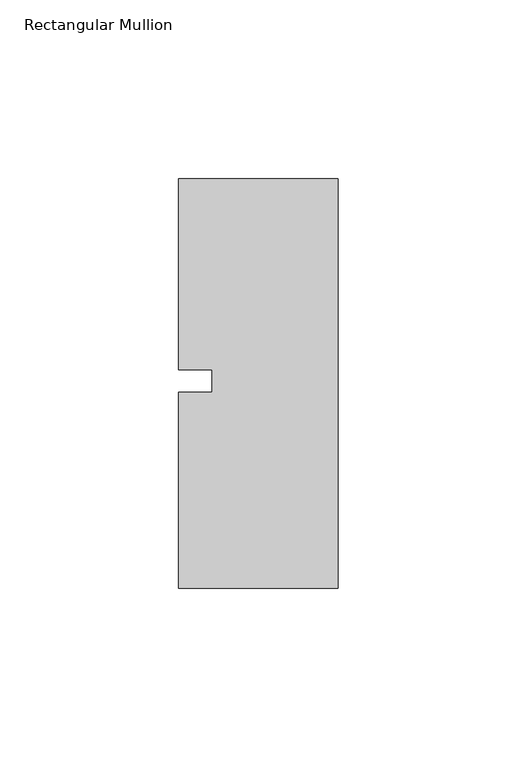
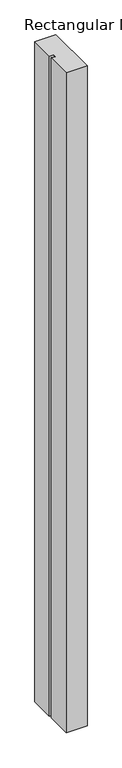
"""IFC4 building model written with IfcOpenShell, lengths in millimetres: member geometry, Rectangular Mullion."""

from ifc_helpers import new_model, si_unit, frame, origin, place, context, project, spatial, polyline, outline, extrude, source, transform, mapped, element, save


def rectangular_mullion_d1a7d057(model_context):
    return source(origin(), model_context, "Body", "SweptSolid", [
        extrude(outline(polyline([(-44.45, -57.15), (-44.45, -2.4907362), (-35.1375243, -2.4907362), (-35.1375243, 3.8592638), (-44.45, 3.8592638), (-44.45, 57.15), (0.0, 57.15), (0.0, -57.15), (-44.45, -57.15)])), frame((0.0, 0.0, -1479.55), z_axis=(0.0, 0.0, 1.0), x_axis=(1.0, 0.0, 0.0)), (0.0, 0.0, 1.0), 1479.55),
    ])


if __name__ == "__main__":
    model = new_model("IFC4")
    model_context = context("Model", 3, world=origin())
    ifc_project = project(units=[si_unit("LENGTHUNIT", "METRE", prefix="MILLI")], contexts=[model_context])
    site = spatial("IfcSite", under=ifc_project)
    building = spatial("IfcBuilding", under=site)
    placement = place(None, origin())
    rectangular_mullion_shape = rectangular_mullion_d1a7d057(model_context)
    element("IfcMember", 1, ObjectType="Rectangular Mullion", at=placement, inside=building, context=model_context, shape_type="MappedRepresentation", body=[
        mapped(rectangular_mullion_shape, transform((0.0, 0.0, 0.0), x_axis=(1.0, 0.0, 0.0), y_axis=(0.0, 1.0, 0.0), z_axis=(0.0, 0.0, 1.0))),
    ])
    save(model, "model.ifc")
